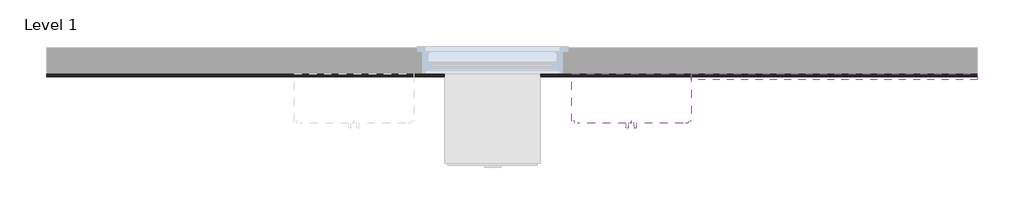
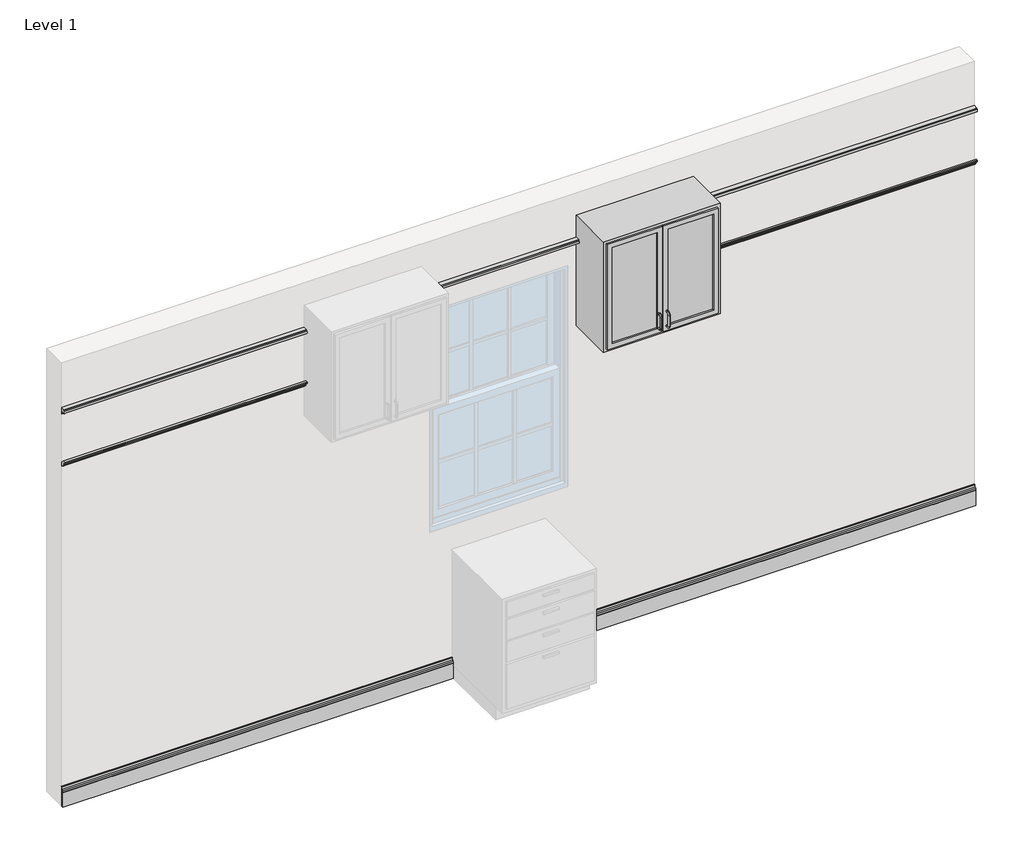
# One storey, part 2 of 2: 5 proxies.
"""IFC4 building model written with IfcOpenShell, lengths in millimetres."""

from ifc_helpers import new_model, si_unit, point, frame, frame_2d, origin, place, context, project, spatial, polyline, circle_curve, ellipse_curve, trimmed, segment, composite_curve, outline, extrude, faceted_brep, element, save
from ifc_brep_helpers import plane_surface, cylinder_surface, revolved_surface, advanced_brep

model = new_model("IFC4")

# Units and contexts
model_context = context("Model", 3, world=origin())
ifc_project = project(units=[si_unit("LENGTHUNIT", "METRE", prefix="MILLI")], contexts=[model_context])

# Site, building, storey
site = spatial("IfcSite", under=ifc_project)
building = spatial("IfcBuilding", under=site)
storey = spatial("IfcBuildingStorey", under=building, Name="Level 1", Elevation=0.0)

# Proxies
placement = place(None, origin())
element("IfcBuildingElementProxy", 1, Name="Wall Sweeps", at=placement, inside=storey, context=model_context, shape_type="Brep", body=[
    faceted_brep([(-4661.8560206, -15637.0511492, 101.6), (-4661.8560206, -15637.0511492, 0.0), (-4661.8560206, -15656.1011492, 0.0), (-4661.8560206, -15656.1011492, 101.6), (-2118.6810206, -15637.0511492, 101.6), (-2118.6810206, -15637.0511492, 88.9), (-2118.6810206, -15637.0511492, 0.0), (-2118.6810206, -15656.1011492, 0.0), (-2118.6810206, -15656.1011492, 88.9), (-2118.6810206, -15656.1011492, 101.6)], [[[0, 1, 2, 3]], [[1, 0, 4, 5, 6]], [[2, 1, 6, 7]], [[3, 2, 7, 8, 9]], [[0, 3, 9, 4]], [[4, 9, 8, 7, 6, 5]]]),
    faceted_brep([(1281.7439794, -15637.0511492, 0.0), (1281.7439794, -15637.0511492, 101.6), (1281.7439794, -15656.1011492, 101.6), (1281.7439794, -15656.1011492, 0.0), (-1509.0810206, -15637.0511492, 0.0), (-1509.0810206, -15637.0511492, 88.9), (-1509.0810206, -15637.0511492, 101.6), (-1509.0810206, -15656.1011492, 0.0), (-1509.0810206, -15656.1011492, 101.6), (-1509.0810206, -15656.1011492, 88.9)], [[[0, 1, 2, 3]], [[1, 0, 4, 5, 6]], [[0, 3, 7, 4]], [[3, 2, 8, 9, 7]], [[2, 1, 6, 8]], [[8, 6, 5, 4, 7, 9]]]),
])
element("IfcBuildingElementProxy", 2, Name="Wall Sweeps", at=placement, inside=storey, context=model_context, shape_type="SweptSolid", body=[
    extrude(outline(composite_curve([segment(polyline([(-15675.3803986, 2387.6), (-15660.0688231, 2387.1702718), (-15637.3945879, 2364.481217), (-15637.0511492, 2351.9523084), (-15640.8967003, 2348.109269), (-15641.5618612, 2347.4852755)]), True, "CONTINUOUS"), segment(trimmed(circle_curve(frame_2d((-15646.5714089, 2352.8253235)), 7.3219998), [point((-15641.5618612, 2347.4852755))], [point((-15653.6320457, 2350.8864862))], False, "CARTESIAN"), True, "CONTINUOUS"), segment(trimmed(circle_curve(frame_2d((-15639.9660613, 2354.6391393)), 14.1718571), [point((-15653.6320457, 2350.8864862))], [point((-15654.1364188, 2354.8452991))], False, "CARTESIAN"), True, "CONTINUOUS"), segment(polyline([(-15654.1364188, 2354.8452991), (-15658.6695548, 2354.3289194), (-15658.2556235, 2361.6782105), (-15659.6162741, 2362.1530978)]), True, "CONTINUOUS"), segment(trimmed(circle_curve(frame_2d((-15656.5769012, 2370.8615323)), 9.2235904), [point((-15659.6162741, 2362.1530978))], [point((-15665.5166531, 2368.5909693))], False, "CARTESIAN"), True, "CONTINUOUS"), segment(polyline([(-15665.5166531, 2368.5909693), (-15666.7147145, 2373.3080248)]), True, "CONTINUOUS"), segment(trimmed(circle_curve(frame_2d((-15671.7571777, 2372.0273147)), 5.2025622), [point((-15666.7147145, 2373.3080248))], [point((-15670.5660876, 2377.091696))], True, "CARTESIAN"), True, "CONTINUOUS"), segment(polyline([(-15670.5660876, 2377.091696), (-15675.6418167, 2378.285455), (-15675.3803986, 2387.6)]), True, "CONTINUOUS")], self_intersect=False)), frame((-4661.8560206, 0.0, 0.0), z_axis=(1.0, 0.0, 0.0), x_axis=(0.0, 1.0, 0.0)), (0.0, 0.0, 1.0), 1581.15),
    extrude(outline(composite_curve([segment(polyline([(-15675.3803986, 2387.6), (-15660.0688231, 2387.1702718), (-15637.3945879, 2364.481217), (-15637.0511492, 2351.9523084), (-15640.8967003, 2348.109269), (-15641.5618612, 2347.4852755)]), True, "CONTINUOUS"), segment(trimmed(circle_curve(frame_2d((-15646.5714089, 2352.8253235)), 7.3219998), [point((-15641.5618612, 2347.4852755))], [point((-15653.6320457, 2350.8864862))], False, "CARTESIAN"), True, "CONTINUOUS"), segment(trimmed(circle_curve(frame_2d((-15639.9660613, 2354.6391393)), 14.1718571), [point((-15653.6320457, 2350.8864862))], [point((-15654.1364188, 2354.8452991))], False, "CARTESIAN"), True, "CONTINUOUS"), segment(polyline([(-15654.1364188, 2354.8452991), (-15658.6695548, 2354.3289194), (-15658.2556235, 2361.6782105), (-15659.6162741, 2362.1530978)]), True, "CONTINUOUS"), segment(trimmed(circle_curve(frame_2d((-15656.5769012, 2370.8615323)), 9.2235904), [point((-15659.6162741, 2362.1530978))], [point((-15665.5166531, 2368.5909693))], False, "CARTESIAN"), True, "CONTINUOUS"), segment(polyline([(-15665.5166531, 2368.5909693), (-15666.7147145, 2373.3080248)]), True, "CONTINUOUS"), segment(trimmed(circle_curve(frame_2d((-15671.7571777, 2372.0273147)), 5.2025622), [point((-15666.7147145, 2373.3080248))], [point((-15670.5660876, 2377.091696))], True, "CARTESIAN"), True, "CONTINUOUS"), segment(polyline([(-15670.5660876, 2377.091696), (-15675.6418167, 2378.285455), (-15675.3803986, 2387.6)]), True, "CONTINUOUS")], self_intersect=False)), frame((-547.0560206, 0.0, 0.0), z_axis=(1.0, 0.0, 0.0), x_axis=(0.0, 1.0, 0.0)), (0.0, 0.0, 1.0), 1828.8),
])
element("IfcBuildingElementProxy", 3, Name="Wall Sweeps", at=placement, inside=storey, context=model_context, shape_type="SweptSolid", body=[
    extrude(outline(composite_curve([segment(polyline([(-15637.0511492, 2743.2), (-15637.0511492, 2699.9825903), (-15643.4011492, 2699.9825903), (-15643.4011492, 2712.6825903), (-15649.7511492, 2712.6825903), (-15649.7511492, 2719.0325903), (-15656.3695338, 2719.0325903)]), True, "CONTINUOUS"), segment(trimmed(circle_curve(frame_2d((-15662.8693855, 2728.0458907)), 11.1125), [point((-15656.3695338, 2719.0325903))], [point((-15670.7271096, 2735.9036148))], False, "CARTESIAN"), True, "CONTINUOUS"), segment(polyline([(-15670.7271096, 2735.9036148), (-15666.2369816, 2740.3937428), (-15667.1724006, 2743.2), (-15637.0511492, 2743.2)]), True, "CONTINUOUS")], self_intersect=False)), frame((-4661.8560206, 0.0, 0.0), z_axis=(1.0, 0.0, 0.0), x_axis=(0.0, 1.0, 0.0)), (0.0, 0.0, 1.0), 1581.15),
    extrude(outline(composite_curve([segment(polyline([(-15637.0511492, 2743.2), (-15637.0511492, 2699.9825903), (-15643.4011492, 2699.9825903), (-15643.4011492, 2712.6825903), (-15649.7511492, 2712.6825903), (-15649.7511492, 2719.0325903), (-15656.3695338, 2719.0325903)]), True, "CONTINUOUS"), segment(trimmed(circle_curve(frame_2d((-15662.8693855, 2728.0458907)), 11.1125), [point((-15656.3695338, 2719.0325903))], [point((-15670.7271096, 2735.9036148))], False, "CARTESIAN"), True, "CONTINUOUS"), segment(polyline([(-15670.7271096, 2735.9036148), (-15666.2369816, 2740.3937428), (-15667.1724006, 2743.2), (-15637.0511492, 2743.2)]), True, "CONTINUOUS")], self_intersect=False)), frame((-547.0560206, 0.0, 0.0), z_axis=(1.0, 0.0, 0.0), x_axis=(0.0, 1.0, 0.0)), (0.0, 0.0, 1.0), 1828.8),
    extrude(outline(composite_curve([segment(polyline([(-15637.0511492, 2743.2), (-15637.0511492, 2699.9825903), (-15643.4011492, 2699.9825903), (-15643.4011492, 2712.6825903), (-15649.7511492, 2712.6825903), (-15649.7511492, 2719.0325903), (-15656.3695338, 2719.0325903)]), True, "CONTINUOUS"), segment(trimmed(circle_curve(frame_2d((-15662.8693855, 2728.0458907)), 11.1125), [point((-15656.3695338, 2719.0325903))], [point((-15670.7271096, 2735.9036148))], False, "CARTESIAN"), True, "CONTINUOUS"), segment(polyline([(-15670.7271096, 2735.9036148), (-15666.2369816, 2740.3937428), (-15667.1724006, 2743.2), (-15637.0511492, 2743.2)]), True, "CONTINUOUS")], self_intersect=False)), frame((-2318.7060206, 0.0, 0.0), z_axis=(1.0, 0.0, 0.0), x_axis=(0.0, 1.0, 0.0)), (0.0, 0.0, 1.0), 1009.65),
])
element("IfcBuildingElementProxy", 4, Name="Wall Sweeps", at=placement, inside=storey, context=model_context, shape_type="SweptSolid", body=[
    extrude(outline(composite_curve([segment(polyline([(-15652.9318071, 101.6), (-15652.9318071, 103.1325735)]), True, "CONTINUOUS"), segment(trimmed(circle_curve(frame_2d((-15649.5091781, 109.6735582)), 7.3823351), [point((-15652.9318071, 103.1325735))], [point((-15654.7861846, 114.8361228))], False, "CARTESIAN"), True, "CONTINUOUS"), segment(polyline([(-15654.7861846, 114.8361228), (-15648.3826337, 121.3816255)]), True, "CONTINUOUS"), segment(trimmed(circle_curve(frame_2d((-15658.4819222, 131.2618915)), 14.1285273), [point((-15648.3826337, 121.3816255))], [point((-15644.3536492, 131.1771161))], True, "CARTESIAN"), True, "CONTINUOUS"), segment(polyline([(-15644.3536492, 131.1771161), (-15644.323162, 134.9371599), (-15637.0511492, 134.9371599), (-15637.0511492, 101.6), (-15652.9318071, 101.6)]), True, "CONTINUOUS")], self_intersect=False)), frame((-4661.8560206, 0.0, 0.0), z_axis=(1.0, 0.0, 0.0), x_axis=(0.0, 1.0, 0.0)), (0.0, 0.0, 1.0), 2543.175),
    extrude(outline(composite_curve([segment(polyline([(-15652.9318071, 101.6), (-15652.9318071, 103.1325735)]), True, "CONTINUOUS"), segment(trimmed(circle_curve(frame_2d((-15649.5091781, 109.6735582)), 7.3823351), [point((-15652.9318071, 103.1325735))], [point((-15654.7861846, 114.8361228))], False, "CARTESIAN"), True, "CONTINUOUS"), segment(polyline([(-15654.7861846, 114.8361228), (-15648.3826337, 121.3816255)]), True, "CONTINUOUS"), segment(trimmed(circle_curve(frame_2d((-15658.4819222, 131.2618915)), 14.1285273), [point((-15648.3826337, 121.3816255))], [point((-15644.3536492, 131.1771161))], True, "CARTESIAN"), True, "CONTINUOUS"), segment(polyline([(-15644.3536492, 131.1771161), (-15644.323162, 134.9371599), (-15637.0511492, 134.9371599), (-15637.0511492, 101.6), (-15652.9318071, 101.6)]), True, "CONTINUOUS")], self_intersect=False)), frame((-1509.0810206, 0.0, 0.0), z_axis=(1.0, 0.0, 0.0), x_axis=(0.0, 1.0, 0.0)), (0.0, 0.0, 1.0), 2790.825),
])
element("IfcBuildingElementProxy", 5, Name="Upper Cabinet-Double Door w Glass-Wall : 30\"", ObjectType="Upper Cabinet-Double Door w Glass-Wall : 30\"", at=placement, inside=storey, context=model_context, shape_type="SolidModel", body=[
    faceted_brep([(-1309.0560206, -15637.0511492, 2894.2999801), (-547.0560206, -15637.0511492, 2894.2999801), (-547.0560206, -15637.0511492, 2743.2), (-547.0560206, -15637.0511492, 2699.9825903), (-547.0560206, -15637.0511492, 2132.2999801), (-1309.0560206, -15637.0511492, 2132.2999801), (-1309.0560206, -15637.0511492, 2699.9825903), (-1309.0560206, -15637.0511492, 2743.2), (-1309.0560206, -15941.8511492, 2894.2999801), (-1309.0560206, -15941.8511492, 2132.2999801), (-547.0560206, -15941.8511492, 2132.2999801), (-547.0560206, -15941.8511492, 2894.2999801)], [[[0, 1, 2, 3, 4, 5, 6, 7]], [[8, 9, 10, 11]], [[5, 9, 8, 0, 7, 6]], [[4, 10, 9, 5]], [[1, 11, 10, 4, 3, 2]], [[0, 8, 11, 1]]]),
    extrude(outline(polyline([(2875.2499801, -924.8810206), (2151.3499801, -924.8810206), (2151.3499801, -566.1060206), (2875.2499801, -566.1060206), (2875.2499801, -924.8810206)]), holes=[polyline([(2183.0999801, -893.1310206), (2843.4999801, -893.1310206), (2843.4999801, -597.8560206), (2183.0999801, -597.8560206), (2183.0999801, -893.1310206)])]), frame((0.0, -15954.5511492, 0.0), z_axis=(0.0, 1.0, 0.0), x_axis=(0.0, 0.0, 1.0)), (0.0, 0.0, 1.0), 31.75),
    extrude(outline(polyline([(2151.3499801, -1290.0060206), (2151.3499801, -931.2310206), (2875.2499801, -931.2310206), (2875.2499801, -1290.0060206), (2151.3499801, -1290.0060206)]), holes=[polyline([(2843.4999801, -962.9810206), (2183.0999801, -962.9810206), (2183.0999801, -1258.2560206), (2843.4999801, -1258.2560206), (2843.4999801, -962.9810206)])]), frame((0.0, -15954.5511492, 0.0), z_axis=(0.0, 1.0, 0.0), x_axis=(0.0, 0.0, 1.0)), (0.0, 0.0, 1.0), 31.75),
    extrude(outline(polyline([(-893.1310206, -15935.5011492), (-893.1310206, -15929.1511492), (-597.8560206, -15929.1511492), (-597.8560206, -15935.5011492), (-893.1310206, -15935.5011492)])), frame((0.0, 0.0, 2183.0999801), z_axis=(0.0, 0.0, 1.0), x_axis=(1.0, 0.0, 0.0)), (0.0, 0.0, 1.0), 660.4),
    extrude(outline(polyline([(-1258.2560206, -15935.5011492), (-1258.2560206, -15929.1511492), (-962.9810206, -15929.1511492), (-962.9810206, -15935.5011492), (-1258.2560206, -15935.5011492)])), frame((0.0, 0.0, 2183.0999801), z_axis=(0.0, 0.0, 1.0), x_axis=(1.0, 0.0, 0.0)), (0.0, 0.0, 1.0), 660.4),
    advanced_brep(
    [(-953.4560206, -15954.5511492, 2278.3499801), (-953.4560206, -15954.5511492, 2291.0499801), (-953.4560206, -15967.2511492, 2291.0499801), (-953.4560206, -15967.2511492, 2278.3499801), (-953.4560206, -15986.3011492, 2271.9999801), (-953.4560206, -15973.6011492, 2271.9999801), (-953.4560206, -15986.3011492, 2195.7999801), (-953.4560206, -15973.6011492, 2195.7999801), (-953.4560206, -15967.2511492, 2176.7499801), (-953.4560206, -15967.2511492, 2189.4499801), (-953.4560206, -15954.5511492, 2189.4499801), (-953.4560206, -15954.5511492, 2176.7499801)],
    [
        (0, 1, circle_curve(frame((-953.4560206, -15954.5511492, 2284.6999801), z_axis=(0.0, 1.0, 0.0), x_axis=(0.0, 0.0, 1.0)), 6.35)),
        (1, 0, circle_curve(frame((-953.4560206, -15954.5511492, 2284.6999801), z_axis=(0.0, 1.0, 0.0), x_axis=(0.0, 0.0, 1.0)), 6.35)),
        (1, 2),
        (2, 3, circle_curve(frame((-953.4560206, -15967.2511492, 2284.6999801), z_axis=(0.0, 1.0, 0.0), x_axis=(0.0, 0.0, 1.0)), 6.35)),
        (3, 0),
        (3, 2, circle_curve(frame((-953.4560206, -15967.2511492, 2284.6999801), z_axis=(0.0, 1.0, 0.0), x_axis=(0.0, 0.0, 1.0)), 6.35)),
        (4, 5, circle_curve(frame((-953.4560206, -15979.9511492, 2271.9999801), z_axis=(0.0, 0.0, 1.0), x_axis=(0.0, -1.0, 0.0)), 6.35)),
        (5, 3, circle_curve(frame((-953.4560206, -15967.2511492, 2271.9999801), z_axis=(-1.0, 0.0, 0.0), x_axis=(0.0, 0.0, 1.0)), 6.35)),
        (2, 4, circle_curve(frame((-953.4560206, -15967.2511492, 2271.9999801), z_axis=(1.0, 0.0, 0.0), x_axis=(0.0, 0.0, 1.0)), 19.05)),
        (5, 4, circle_curve(frame((-953.4560206, -15979.9511492, 2271.9999801), z_axis=(0.0, 0.0, 1.0), x_axis=(0.0, -1.0, 0.0)), 6.35)),
        (4, 6),
        (6, 7, circle_curve(frame((-953.4560206, -15979.9511492, 2195.7999801), z_axis=(0.0, 0.0, 1.0), x_axis=(0.0, -1.0, 0.0)), 6.35)),
        (7, 5),
        (7, 6, circle_curve(frame((-953.4560206, -15979.9511492, 2195.7999801), z_axis=(0.0, 0.0, 1.0), x_axis=(0.0, -1.0, 0.0)), 6.35)),
        (8, 9, circle_curve(frame((-953.4560206, -15967.2511492, 2183.0999801), z_axis=(0.0, -1.0, 0.0), x_axis=(0.0, 0.0, -1.0)), 6.35)),
        (9, 7, circle_curve(frame((-953.4560206, -15967.2511492, 2195.7999801), z_axis=(-1.0, 0.0, 0.0), x_axis=(0.0, -1.0, 0.0)), 6.35)),
        (6, 8, circle_curve(frame((-953.4560206, -15967.2511492, 2195.7999801), z_axis=(1.0, 0.0, 0.0), x_axis=(0.0, -1.0, 0.0)), 19.05)),
        (9, 8, circle_curve(frame((-953.4560206, -15967.2511492, 2183.0999801), z_axis=(0.0, -1.0, 0.0), x_axis=(0.0, 0.0, -1.0)), 6.35)),
        (10, 11, circle_curve(frame((-953.4560206, -15954.5511492, 2183.0999801), z_axis=(0.0, 1.0, 0.0), x_axis=(0.0, 0.0, -1.0)), 6.35)),
        (11, 10, circle_curve(frame((-953.4560206, -15954.5511492, 2183.0999801), z_axis=(0.0, 1.0, 0.0), x_axis=(0.0, 0.0, -1.0)), 6.35)),
        (8, 11),
        (10, 9),
    ],
    [
        plane_surface(frame((-959.8060206, -15954.5511492, 2284.6999801), z_axis=(0.0, 1.0, 0.0), x_axis=(0.0, 0.0, 1.0))),
        cylinder_surface(frame((-953.4560206, -15954.5511492, 2284.6999801), z_axis=(0.0, 1.0, 0.0), x_axis=(0.0, 0.0, 1.0)), 6.35),
        revolved_surface(trimmed(ellipse_curve(frame((-953.4560206, -15967.2511492, 2284.6999801), z_axis=(0.0, -1.0, 0.0), x_axis=(0.0, 0.0, 1.0)), 6.35, 6.35), [point((-953.4560206, -15967.2511492, 2278.3499801))], [point((-953.4560206, -15967.2511492, 2291.0499801))], True, "CARTESIAN"), (-953.4560206, -15967.2511492, 2271.9999801), (-1.0, 0.0, 0.0)),
        revolved_surface(trimmed(ellipse_curve(frame((-953.4560206, -15967.2511492, 2284.6999801), z_axis=(0.0, -1.0, 0.0), x_axis=(0.0, 0.0, 1.0)), 6.35, 6.35), [point((-953.4560206, -15967.2511492, 2291.0499801))], [point((-953.4560206, -15967.2511492, 2278.3499801))], True, "CARTESIAN"), (-953.4560206, -15967.2511492, 2271.9999801), (-1.0, 0.0, 0.0)),
        cylinder_surface(frame((-953.4560206, -15979.9511492, 2271.9999801), z_axis=(0.0, 0.0, 1.0), x_axis=(0.0, -1.0, 0.0)), 6.35),
        revolved_surface(trimmed(ellipse_curve(frame((-953.4560206, -15979.9511492, 2195.7999801), z_axis=(0.0, 0.0, -1.0), x_axis=(0.0, -1.0, 0.0)), 6.35, 6.35), [point((-953.4560206, -15973.6011492, 2195.7999801))], [point((-953.4560206, -15986.3011492, 2195.7999801))], True, "CARTESIAN"), (-953.4560206, -15967.2511492, 2195.7999801), (-1.0, 0.0, 0.0)),
        revolved_surface(trimmed(ellipse_curve(frame((-953.4560206, -15979.9511492, 2195.7999801), z_axis=(0.0, 0.0, -1.0), x_axis=(0.0, -1.0, 0.0)), 6.35, 6.35), [point((-953.4560206, -15986.3011492, 2195.7999801))], [point((-953.4560206, -15973.6011492, 2195.7999801))], True, "CARTESIAN"), (-953.4560206, -15967.2511492, 2195.7999801), (-1.0, 0.0, 0.0)),
        plane_surface(frame((-959.8060206, -15954.5511492, 2183.0999801), z_axis=(0.0, 1.0, 0.0), x_axis=(0.0, 0.0, -1.0))),
        cylinder_surface(frame((-953.4560206, -15967.2511492, 2183.0999801), z_axis=(0.0, -1.0, 0.0), x_axis=(0.0, 0.0, -1.0)), 6.35),
    ],
    [
        (0, [[1, 2]]),
        (1, [[3, 4, 5, -2]]),
        (1, [[-5, 6, -3, -1]]),
        (2, [[7, 8, -4, 9]]),
        (3, [[10, -9, -6, -8]]),
        (4, [[11, 12, 13, -7]]),
        (4, [[-13, 14, -11, -10]]),
        (5, [[15, 16, -12, 17]]),
        (6, [[18, -17, -14, -16]]),
        (7, [[19, 20]]),
        (8, [[21, -19, 22, -15]]),
        (8, [[-22, -20, -21, -18]]),
    ],
),
    advanced_brep(
    [(-902.6560206, -15954.5511492, 2278.3499801), (-902.6560206, -15954.5511492, 2291.0499801), (-902.6560206, -15967.2511492, 2291.0499801), (-902.6560206, -15967.2511492, 2278.3499801), (-902.6560206, -15986.3011492, 2271.9999801), (-902.6560206, -15973.6011492, 2271.9999801), (-902.6560206, -15986.3011492, 2195.7999801), (-902.6560206, -15973.6011492, 2195.7999801), (-902.6560206, -15967.2511492, 2176.7499801), (-902.6560206, -15967.2511492, 2189.4499801), (-902.6560206, -15954.5511492, 2189.4499801), (-902.6560206, -15954.5511492, 2176.7499801)],
    [
        (0, 1, circle_curve(frame((-902.6560206, -15954.5511492, 2284.6999801), z_axis=(0.0, 1.0, 0.0), x_axis=(0.0, 0.0, -1.0)), 6.35)),
        (1, 0, circle_curve(frame((-902.6560206, -15954.5511492, 2284.6999801), z_axis=(0.0, 1.0, 0.0), x_axis=(0.0, 0.0, -1.0)), 6.35)),
        (1, 2),
        (2, 3, circle_curve(frame((-902.6560206, -15967.2511492, 2284.6999801), z_axis=(0.0, 1.0, 0.0), x_axis=(0.0, 0.0, -1.0)), 6.35)),
        (3, 0),
        (3, 2, circle_curve(frame((-902.6560206, -15967.2511492, 2284.6999801), z_axis=(0.0, 1.0, 0.0), x_axis=(0.0, 0.0, -1.0)), 6.35)),
        (4, 5, circle_curve(frame((-902.6560206, -15979.9511492, 2271.9999801), z_axis=(0.0, 0.0, 1.0), x_axis=(0.0, 1.0, 0.0)), 6.35)),
        (5, 3, circle_curve(frame((-902.6560206, -15967.2511492, 2271.9999801), z_axis=(-1.0, 0.0, 0.0), x_axis=(0.0, 0.0, 1.0)), 6.35)),
        (2, 4, circle_curve(frame((-902.6560206, -15967.2511492, 2271.9999801), z_axis=(1.0, 0.0, 0.0), x_axis=(0.0, 0.0, 1.0)), 19.05)),
        (5, 4, circle_curve(frame((-902.6560206, -15979.9511492, 2271.9999801), z_axis=(0.0, 0.0, 1.0), x_axis=(0.0, 1.0, 0.0)), 6.35)),
        (4, 6),
        (6, 7, circle_curve(frame((-902.6560206, -15979.9511492, 2195.7999801), z_axis=(0.0, 0.0, 1.0), x_axis=(0.0, 1.0, 0.0)), 6.35)),
        (7, 5),
        (7, 6, circle_curve(frame((-902.6560206, -15979.9511492, 2195.7999801), z_axis=(0.0, 0.0, 1.0), x_axis=(0.0, 1.0, 0.0)), 6.35)),
        (8, 9, circle_curve(frame((-902.6560206, -15967.2511492, 2183.0999801), z_axis=(0.0, -1.0, 0.0), x_axis=(0.0, 0.0, 1.0)), 6.35)),
        (9, 7, circle_curve(frame((-902.6560206, -15967.2511492, 2195.7999801), z_axis=(-1.0, 0.0, 0.0), x_axis=(0.0, -1.0, 0.0)), 6.35)),
        (6, 8, circle_curve(frame((-902.6560206, -15967.2511492, 2195.7999801), z_axis=(1.0, 0.0, 0.0), x_axis=(0.0, -1.0, 0.0)), 19.05)),
        (9, 8, circle_curve(frame((-902.6560206, -15967.2511492, 2183.0999801), z_axis=(0.0, -1.0, 0.0), x_axis=(0.0, 0.0, 1.0)), 6.35)),
        (10, 11, circle_curve(frame((-902.6560206, -15954.5511492, 2183.0999801), z_axis=(0.0, 1.0, 0.0), x_axis=(0.0, 0.0, 1.0)), 6.35)),
        (11, 10, circle_curve(frame((-902.6560206, -15954.5511492, 2183.0999801), z_axis=(0.0, 1.0, 0.0), x_axis=(0.0, 0.0, 1.0)), 6.35)),
        (8, 11),
        (10, 9),
    ],
    [
        plane_surface(frame((-909.0060206, -15954.5511492, 2284.6999801), z_axis=(0.0, 1.0, 0.0), x_axis=(0.0, 0.0, 1.0))),
        cylinder_surface(frame((-902.6560206, -15954.5511492, 2284.6999801), z_axis=(0.0, 1.0, 0.0), x_axis=(0.0, 0.0, -1.0)), 6.35),
        revolved_surface(trimmed(ellipse_curve(frame((-902.6560206, -15967.2511492, 2284.6999801), z_axis=(0.0, -1.0, 0.0), x_axis=(0.0, 0.0, -1.0)), 6.35, 6.35), [point((-902.6560206, -15967.2511492, 2278.3499801))], [point((-902.6560206, -15967.2511492, 2291.0499801))], True, "CARTESIAN"), (-902.6560206, -15967.2511492, 2271.9999801), (-1.0, 0.0, 0.0)),
        revolved_surface(trimmed(ellipse_curve(frame((-902.6560206, -15967.2511492, 2284.6999801), z_axis=(0.0, -1.0, 0.0), x_axis=(0.0, 0.0, -1.0)), 6.35, 6.35), [point((-902.6560206, -15967.2511492, 2291.0499801))], [point((-902.6560206, -15967.2511492, 2278.3499801))], True, "CARTESIAN"), (-902.6560206, -15967.2511492, 2271.9999801), (-1.0, 0.0, 0.0)),
        cylinder_surface(frame((-902.6560206, -15979.9511492, 2271.9999801), z_axis=(0.0, 0.0, 1.0), x_axis=(0.0, 1.0, 0.0)), 6.35),
        revolved_surface(trimmed(ellipse_curve(frame((-902.6560206, -15979.9511492, 2195.7999801), z_axis=(0.0, 0.0, -1.0), x_axis=(0.0, 1.0, 0.0)), 6.35, 6.35), [point((-902.6560206, -15973.6011492, 2195.7999801))], [point((-902.6560206, -15986.3011492, 2195.7999801))], True, "CARTESIAN"), (-902.6560206, -15967.2511492, 2195.7999801), (-1.0, 0.0, 0.0)),
        revolved_surface(trimmed(ellipse_curve(frame((-902.6560206, -15979.9511492, 2195.7999801), z_axis=(0.0, 0.0, -1.0), x_axis=(0.0, 1.0, 0.0)), 6.35, 6.35), [point((-902.6560206, -15986.3011492, 2195.7999801))], [point((-902.6560206, -15973.6011492, 2195.7999801))], True, "CARTESIAN"), (-902.6560206, -15967.2511492, 2195.7999801), (-1.0, 0.0, 0.0)),
        plane_surface(frame((-909.0060206, -15954.5511492, 2183.0999801), z_axis=(0.0, 1.0, 0.0), x_axis=(0.0, 0.0, -1.0))),
        cylinder_surface(frame((-902.6560206, -15967.2511492, 2183.0999801), z_axis=(0.0, -1.0, 0.0), x_axis=(0.0, 0.0, 1.0)), 6.35),
    ],
    [
        (0, [[1, 2]]),
        (1, [[3, 4, 5, -2]]),
        (1, [[-5, 6, -3, -1]]),
        (2, [[7, 8, -4, 9]]),
        (3, [[10, -9, -6, -8]]),
        (4, [[11, 12, 13, -7]]),
        (4, [[-13, 14, -11, -10]]),
        (5, [[15, 16, -12, 17]]),
        (6, [[18, -17, -14, -16]]),
        (7, [[19, 20]]),
        (8, [[21, -19, 22, -15]]),
        (8, [[-22, -20, -21, -18]]),
    ],
),
    faceted_brep([(-1309.0560206, -15637.0511492, 2894.2999801), (-547.0560206, -15637.0511492, 2894.2999801), (-547.0560206, -15637.0511492, 2743.2), (-547.0560206, -15637.0511492, 2699.9825903), (-547.0560206, -15637.0511492, 2132.2999801), (-1309.0560206, -15637.0511492, 2132.2999801), (-1309.0560206, -15637.0511492, 2699.9825903), (-1309.0560206, -15637.0511492, 2743.2), (-1309.0560206, -15941.8511492, 2894.2999801), (-1309.0560206, -15941.8511492, 2132.2999801), (-547.0560206, -15941.8511492, 2132.2999801), (-547.0560206, -15941.8511492, 2894.2999801), (-1290.0060206, -15941.8511492, 2875.2499801), (-566.1060206, -15941.8511492, 2875.2499801), (-566.1060206, -15941.8511492, 2151.3499801), (-1290.0060206, -15941.8511492, 2151.3499801), (-1290.0060206, -15656.1011492, 2875.2499801), (-566.1060206, -15656.1011492, 2875.2499801), (-566.1060206, -15656.1011492, 2151.3499801), (-1290.0060206, -15656.1011492, 2151.3499801)], [[[0, 1, 2, 3, 4, 5, 6, 7]], [[8, 9, 10, 11], [12, 13, 14, 15]], [[5, 9, 8, 0, 7, 6]], [[4, 10, 9, 5]], [[1, 11, 10, 4, 3, 2]], [[0, 8, 11, 1]], [[12, 16, 17, 13]], [[13, 17, 18, 14]], [[14, 18, 19, 15]], [[15, 19, 16, 12]], [[16, 19, 18, 17]]]),
])

save(model, "model.ifc")
